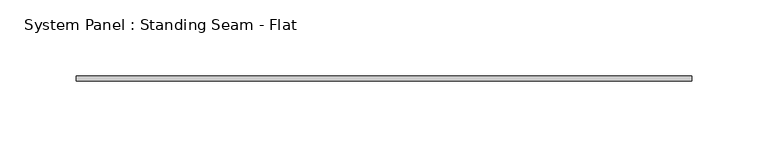
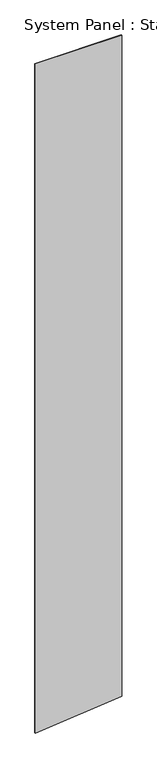
"""IFC4 building model written with IfcOpenShell, lengths in millimetres: plate geometry, System Panel : Standing Seam - Flat."""

from ifc_helpers import new_model, si_unit, frame, origin, place, context, project, spatial, polyline, outline, extrude, source, transform, mapped, element, save


def system_panel_standing_seam_flat_c54004be(model_context):
    return source(origin(), model_context, "Body", "SweptSolid", [
        extrude(outline(polyline([(0.0, -201.6125002), (40.9747497, 201.6125002), (3300.6439064, 201.6125002), (3300.6439064, -201.6125002), (0.0, -201.6125002)])), frame((0.0, -1.5875, 0.0), z_axis=(0.0, 1.0, 0.0), x_axis=(0.0, 0.0, 1.0)), (0.0, 0.0, 1.0), 3.175),
    ])


if __name__ == "__main__":
    model = new_model("IFC4")
    model_context = context("Model", 3, world=origin())
    ifc_project = project(units=[si_unit("LENGTHUNIT", "METRE", prefix="MILLI")], contexts=[model_context])
    site = spatial("IfcSite", under=ifc_project)
    building = spatial("IfcBuilding", under=site)
    placement = place(None, origin())
    system_panel_standing_seam_flat_shape = system_panel_standing_seam_flat_c54004be(model_context)
    element("IfcPlate", 1, ObjectType="System Panel : Standing Seam - Flat", at=placement, inside=building, context=model_context, shape_type="MappedRepresentation", body=[
        mapped(system_panel_standing_seam_flat_shape, transform((0.0, 0.0, 0.0), x_axis=(1.0, 0.0, 0.0), y_axis=(0.0, 1.0, 0.0), z_axis=(0.0, 0.0, 1.0))),
    ])
    save(model, "model.ifc")
